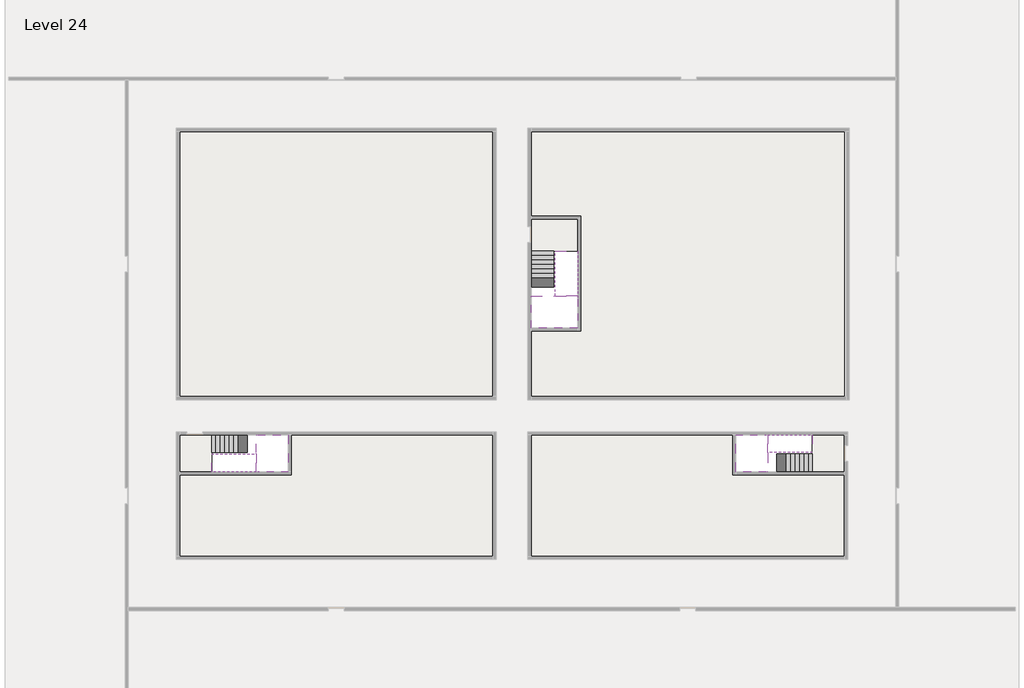
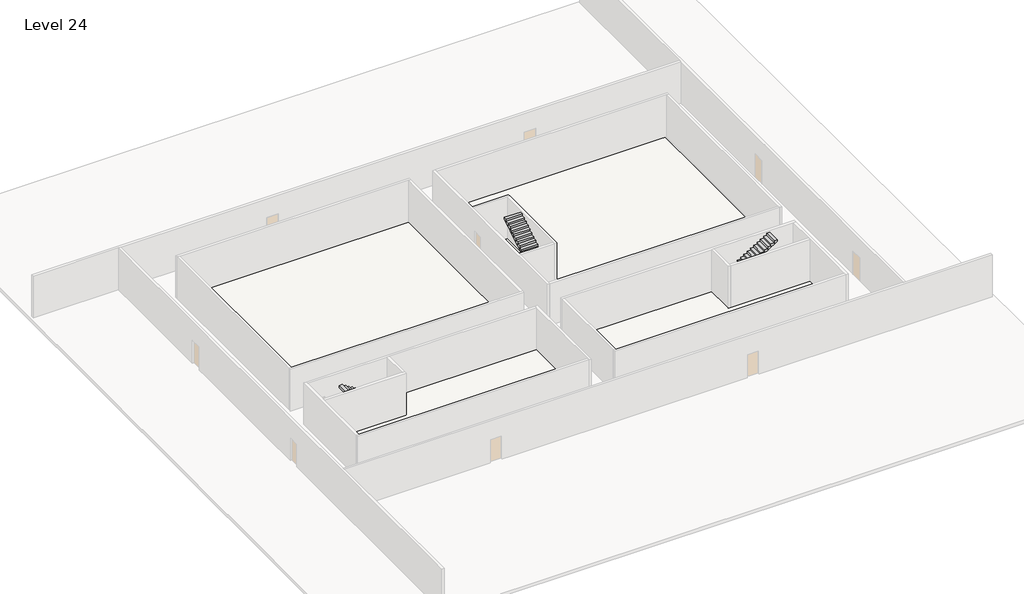
# One storey, part 2 of 2: 6 stair flights, 5 slabs.
"""IFC4 building model written with IfcOpenShell, lengths in millimetres."""

from ifc_helpers import new_model, si_unit, frame, origin, place, context, project, spatial, polyline, outline, extrude, faceted_brep, element, save

model = new_model("IFC4")

# Units and contexts
model_context = context("Model", 3, world=origin())
ifc_project = project(units=[si_unit("LENGTHUNIT", "METRE", prefix="MILLI")], contexts=[model_context])

# Site, building, storey
site = spatial("IfcSite", under=ifc_project)
building = spatial("IfcBuilding", under=site)
storey = spatial("IfcBuildingStorey", under=building, Name="Level 24", Elevation=87400.0)

# Slabs
placement = place(None, origin())
element("IfcSlab", 1, at=placement, inside=storey, context=model_context, shape_type="Brep", body=[
    faceted_brep([(8190.1058784, -42918.09644, 89300.0), (8190.1058784, -44018.09644, 89300.0), (8190.1058784, -44118.09644, 89300.0), (8190.1058784, -45218.09644, 89300.0), (8390.7194421, -45218.09644, 89300.0), (10190.1058784, -45218.09644, 89300.0), (10190.1058784, -42918.09644, 89300.0), (8269.4923146, -42918.09644, 89300.0), (8190.1058784, -42918.09644, 89127.2727273), (8190.1058784, -42918.09644, 88951.0278478), (8190.1058784, -44018.09644, 88951.0278478), (8190.1058784, -44018.09644, 89000.0), (8190.1058784, -44118.09644, 89000.0), (8190.1058784, -44118.09644, 89123.7551205), (8190.1058784, -45218.09644, 89123.7551205), (8390.7194421, -45218.09644, 89000.0), (10190.1058784, -45218.09644, 89000.0), (10190.1058784, -42918.09644, 89000.0), (8269.4923146, -42918.09644, 89000.0), (8390.7194421, -44118.09644, 89000.0), (8269.4923146, -44018.09644, 89000.0)], [[[0, 1, 2, 3, 4, 5, 6, 7]], [[1, 0, 8, 9, 10, 11]], [[2, 1, 11, 12, 13]], [[3, 2, 13, 14]], [[3, 14, 15, 16, 5, 4]], [[6, 5, 16, 17]], [[9, 8, 0, 7, 6, 17, 18]], [[19, 12, 11, 20, 18, 17, 16, 15]], [[12, 19, 13]], [[18, 20, 10, 9]], [[20, 11, 10]], [[19, 15, 14, 13]]]),
])
element("IfcSlab", 2, at=placement, inside=storey, context=model_context, shape_type="Brep", body=[
    faceted_brep([(40190.1058784, -45218.09644, 89300.0), (40190.1058784, -44118.09644, 89300.0), (40190.1058784, -44018.09644, 89300.0), (40190.1058784, -42918.09644, 89300.0), (39989.4923146, -42918.09644, 89300.0), (38190.1058784, -42918.09644, 89300.0), (38190.1058784, -45218.09644, 89300.0), (40110.7194421, -45218.09644, 89300.0), (40190.1058784, -45218.09644, 89127.2727273), (40190.1058784, -45218.09644, 88951.0278478), (40190.1058784, -44118.09644, 88951.0278478), (40190.1058784, -44118.09644, 89000.0), (40190.1058784, -44018.09644, 89000.0), (40190.1058784, -44018.09644, 89123.7551205), (40190.1058784, -42918.09644, 89123.7551205), (39989.4923146, -42918.09644, 89000.0), (38190.1058784, -42918.09644, 89000.0), (38190.1058784, -45218.09644, 89000.0), (40110.7194421, -45218.09644, 89000.0), (39989.4923146, -44018.09644, 89000.0), (40110.7194421, -44118.09644, 89000.0)], [[[0, 1, 2, 3, 4, 5, 6, 7]], [[1, 0, 8, 9, 10, 11]], [[2, 1, 11, 12, 13]], [[3, 2, 13, 14]], [[3, 14, 15, 16, 5, 4]], [[6, 5, 16, 17]], [[9, 8, 0, 7, 6, 17, 18]], [[19, 12, 11, 20, 18, 17, 16, 15]], [[12, 19, 13]], [[18, 20, 10, 9]], [[20, 11, 10]], [[19, 15, 14, 13]]]),
])
element("IfcSlab", 3, at=placement, inside=storey, context=model_context, shape_type="Brep", body=[
    faceted_brep([(26790.1058784, -34218.09644, 89300.0), (25390.1058784, -34218.09644, 89300.0), (25390.1058784, -34297.4828763, 89300.0), (25390.1058784, -36218.09644, 89300.0), (28290.1058784, -36218.09644, 89300.0), (28290.1058784, -34418.7100038, 89300.0), (28290.1058784, -34218.09644, 89300.0), (26890.1058784, -34218.09644, 89300.0), (26790.1058784, -34218.09644, 89000.0), (26790.1058784, -34218.09644, 88951.0278478), (25390.1058784, -34218.09644, 88951.0278478), (25390.1058784, -34218.09644, 89127.2727273), (25390.1058784, -34297.4828763, 89000.0), (25390.1058784, -36218.09644, 89000.0), (28290.1058784, -36218.09644, 89000.0), (28290.1058784, -34418.7100038, 89000.0), (28290.1058784, -34218.09644, 89123.7551205), (26890.1058784, -34218.09644, 89123.7551205), (26890.1058784, -34218.09644, 89000.0), (26890.1058784, -34418.7100038, 89000.0), (26790.1058784, -34297.4828763, 89000.0)], [[[0, 1, 2, 3, 4, 5, 6, 7]], [[1, 0, 8, 9, 10, 11]], [[1, 11, 10, 12, 13, 3, 2]], [[4, 3, 13, 14]], [[4, 14, 15, 16, 6, 5]], [[7, 6, 16, 17]], [[0, 7, 17, 18, 8]], [[18, 19, 15, 14, 13, 12, 20, 8]], [[19, 18, 17]], [[20, 12, 10, 9]], [[8, 20, 9]], [[15, 19, 17, 16]]]),
])
element("IfcSlab", 4, at=placement, inside=storey, context=model_context, shape_type="SweptSolid", body=[
    extrude(outline(polyline([(22990.1058784, -23918.09644), (22990.1058784, -40518.09644), (3390.1058784, -40518.09644), (3390.1058784, -23918.09644), (22990.1058784, -23918.09644)])), frame((0.0, 0.0, 87100.0), z_axis=(0.0, 0.0, 1.0), x_axis=(1.0, 0.0, 0.0)), (0.0, 0.0, 1.0), 300.0),
    extrude(outline(polyline([(44990.1058784, -23918.09644), (44990.1058784, -40518.09644), (25390.1058784, -40518.09644), (25390.1058784, -36418.09644), (28490.1058784, -36418.09644), (28490.1058784, -29218.09644), (25390.1058784, -29218.09644), (25390.1058784, -23918.09644), (44990.1058784, -23918.09644)])), frame((0.0, 0.0, 87100.0), z_axis=(0.0, 0.0, 1.0), x_axis=(1.0, 0.0, 0.0)), (0.0, 0.0, 1.0), 300.0),
    extrude(outline(polyline([(22990.1058784, -42918.09644), (22990.1058784, -50518.09644), (3390.1058784, -50518.09644), (3390.1058784, -45418.09644), (10390.1058784, -45418.09644), (10390.1058784, -42918.09644), (22990.1058784, -42918.09644)])), frame((0.0, 0.0, 87100.0), z_axis=(0.0, 0.0, 1.0), x_axis=(1.0, 0.0, 0.0)), (0.0, 0.0, 1.0), 300.0),
    extrude(outline(polyline([(37990.1058784, -42918.09644), (37990.1058784, -45418.09644), (44990.1058784, -45418.09644), (44990.1058784, -50518.09644), (25390.1058784, -50518.09644), (25390.1058784, -42918.09644), (37990.1058784, -42918.09644)])), frame((0.0, 0.0, 87100.0), z_axis=(0.0, 0.0, 1.0), x_axis=(1.0, 0.0, 0.0)), (0.0, 0.0, 1.0), 300.0),
])
element("IfcSlab", 5, at=placement, inside=storey, context=model_context, shape_type="SweptSolid", body=[
    extrude(outline(polyline([(44990.1058784, -42918.09644), (44990.1058784, -45218.09644), (42990.1058784, -45218.09644), (42990.1058784, -42918.09644), (44990.1058784, -42918.09644)])), frame((0.0, 0.0, 87100.0), z_axis=(0.0, 0.0, 1.0), x_axis=(1.0, 0.0, 0.0)), (0.0, 0.0, 1.0), 300.0),
    extrude(outline(polyline([(5390.1058784, -42918.09644), (5390.1058784, -45218.09644), (3390.1058784, -45218.09644), (3390.1058784, -42918.09644), (5390.1058784, -42918.09644)])), frame((0.0, 0.0, 87100.0), z_axis=(0.0, 0.0, 1.0), x_axis=(1.0, 0.0, 0.0)), (0.0, 0.0, 1.0), 300.0),
    extrude(outline(polyline([(28290.1058784, -29418.09644), (28290.1058784, -31418.09644), (25390.1058784, -31418.09644), (25390.1058784, -29418.09644), (28290.1058784, -29418.09644)])), frame((0.0, 0.0, 87100.0), z_axis=(0.0, 0.0, 1.0), x_axis=(1.0, 0.0, 0.0)), (0.0, 0.0, 1.0), 300.0),
])

# Stair flights
element("IfcStairFlight", 6, at=placement, inside=storey, context=model_context, shape_type="Brep", body=[
    faceted_brep([(5670.1058784, -42918.09644, 87572.7272727), (5390.1058784, -42918.09644, 87572.7272727), (5390.1058784, -44018.09644, 87572.7272727), (5670.1058784, -44018.09644, 87572.7272727), (5670.1058784, -42918.09644, 87400.0), (5390.1058784, -42918.09644, 87400.0), (5390.1058784, -44018.09644, 87400.0), (5670.1058784, -44018.09644, 87400.0), (5950.1058784, -42918.09644, 87745.4545455), (5670.1058784, -42918.09644, 87745.4545455), (5670.1058784, -44018.09644, 87745.4545455), (5950.1058784, -44018.09644, 87745.4545455), (5950.1058784, -42918.09644, 87569.209666), (5675.8081041, -42918.09644, 87400.0), (5675.8081041, -44018.09644, 87400.0), (5950.1058784, -44018.09644, 87569.209666), (6230.1058784, -42918.09644, 87918.1818182), (5950.1058784, -42918.09644, 87918.1818182), (5950.1058784, -44018.09644, 87918.1818182), (6230.1058784, -44018.09644, 87918.1818182), (6230.1058784, -42918.09644, 87741.9369387), (6230.1058784, -44018.09644, 87741.9369387), (6510.1058784, -42918.09644, 88090.9090909), (6230.1058784, -42918.09644, 88090.9090909), (6230.1058784, -44018.09644, 88090.9090909), (6510.1058784, -44018.09644, 88090.9090909), (6510.1058784, -42918.09644, 87914.6642114), (6510.1058784, -44018.09644, 87914.6642114), (6790.1058784, -42918.09644, 88263.6363636), (6510.1058784, -42918.09644, 88263.6363636), (6510.1058784, -44018.09644, 88263.6363636), (6790.1058784, -44018.09644, 88263.6363636), (6790.1058784, -42918.09644, 88087.3914841), (6790.1058784, -44018.09644, 88087.3914841), (7070.1058784, -42918.09644, 88436.3636364), (6790.1058784, -42918.09644, 88436.3636364), (6790.1058784, -44018.09644, 88436.3636364), (7070.1058784, -44018.09644, 88436.3636364), (7070.1058784, -42918.09644, 88260.1187569), (7070.1058784, -44018.09644, 88260.1187569), (7350.1058784, -42918.09644, 88609.0909091), (7070.1058784, -42918.09644, 88609.0909091), (7070.1058784, -44018.09644, 88609.0909091), (7350.1058784, -44018.09644, 88609.0909091), (7350.1058784, -42918.09644, 88432.8460296), (7350.1058784, -44018.09644, 88432.8460296), (7630.1058784, -42918.09644, 88781.8181818), (7350.1058784, -42918.09644, 88781.8181818), (7350.1058784, -44018.09644, 88781.8181818), (7630.1058784, -44018.09644, 88781.8181818), (7630.1058784, -42918.09644, 88605.5733023), (7630.1058784, -44018.09644, 88605.5733023), (7910.1058784, -42918.09644, 88954.5454545), (7630.1058784, -42918.09644, 88954.5454545), (7630.1058784, -44018.09644, 88954.5454545), (7910.1058784, -44018.09644, 88954.5454545), (7910.1058784, -42918.09644, 88778.3005751), (7910.1058784, -44018.09644, 88778.3005751), (8190.1058784, -42918.09644, 89127.2727273), (7910.1058784, -42918.09644, 89127.2727273), (7910.1058784, -44018.09644, 89127.2727273), (8190.1058784, -44018.09644, 89127.2727273), (8190.1058784, -42918.09644, 88951.0278478), (8190.1058784, -44018.09644, 88951.0278478), (8190.1058784, -44018.09644, 89000.0)], [[[0, 1, 2, 3]], [[1, 0, 4, 5]], [[2, 1, 5, 6]], [[3, 2, 6, 7]], [[8, 9, 10, 11]], [[4, 0, 9, 8, 12, 13]], [[0, 3, 10, 9]], [[3, 7, 14, 15, 11, 10]], [[16, 17, 18, 19]], [[17, 16, 20, 12, 8]], [[8, 11, 18, 17]], [[19, 18, 11, 15, 21]], [[22, 23, 24, 25]], [[23, 22, 26, 20, 16]], [[16, 19, 24, 23]], [[25, 24, 19, 21, 27]], [[28, 29, 30, 31]], [[29, 28, 32, 26, 22]], [[22, 25, 30, 29]], [[31, 30, 25, 27, 33]], [[34, 35, 36, 37]], [[35, 34, 38, 32, 28]], [[28, 31, 36, 35]], [[37, 36, 31, 33, 39]], [[40, 41, 42, 43]], [[41, 40, 44, 38, 34]], [[34, 37, 42, 41]], [[43, 42, 37, 39, 45]], [[46, 47, 48, 49]], [[47, 46, 50, 44, 40]], [[40, 43, 48, 47]], [[49, 48, 43, 45, 51]], [[52, 53, 54, 55]], [[53, 52, 56, 50, 46]], [[46, 49, 54, 53]], [[55, 54, 49, 51, 57]], [[58, 59, 60, 61]], [[59, 58, 62, 56, 52]], [[52, 55, 60, 59]], [[61, 60, 55, 57, 63, 64]], [[58, 61, 64, 63, 62]], [[5, 4, 13, 14, 7, 6]], [[14, 13, 12, 20, 26, 32, 38, 44, 50, 56, 62, 63, 57, 51, 45, 39, 33, 27, 21, 15]]]),
])
element("IfcStairFlight", 7, at=placement, inside=storey, context=model_context, shape_type="Brep", body=[
    faceted_brep([(7910.1058784, -45218.09644, 89472.7272727), (8190.1058784, -45218.09644, 89472.7272727), (8190.1058784, -44118.09644, 89472.7272727), (7910.1058784, -44118.09644, 89472.7272727), (7910.1058784, -45218.09644, 89296.4823932), (8190.1058784, -45218.09644, 89123.7551205), (8190.1058784, -45218.09644, 89300.0), (8190.1058784, -44118.09644, 89123.7551205), (7910.1058784, -44118.09644, 89296.4823932), (7630.1058784, -45218.09644, 89645.4545455), (7910.1058784, -45218.09644, 89645.4545455), (7910.1058784, -44118.09644, 89645.4545455), (7630.1058784, -44118.09644, 89645.4545455), (7630.1058784, -45218.09644, 89469.209666), (7630.1058784, -44118.09644, 89469.209666), (7350.1058784, -45218.09644, 89818.1818182), (7630.1058784, -45218.09644, 89818.1818182), (7630.1058784, -44118.09644, 89818.1818182), (7350.1058784, -44118.09644, 89818.1818182), (7350.1058784, -45218.09644, 89641.9369387), (7350.1058784, -44118.09644, 89641.9369387), (7070.1058784, -45218.09644, 89990.9090909), (7350.1058784, -45218.09644, 89990.9090909), (7350.1058784, -44118.09644, 89990.9090909), (7070.1058784, -44118.09644, 89990.9090909), (7070.1058784, -45218.09644, 89814.6642114), (7070.1058784, -44118.09644, 89814.6642114), (6790.1058784, -45218.09644, 90163.6363636), (7070.1058784, -45218.09644, 90163.6363636), (7070.1058784, -44118.09644, 90163.6363636), (6790.1058784, -44118.09644, 90163.6363636), (6790.1058784, -45218.09644, 89987.3914841), (6790.1058784, -44118.09644, 89987.3914841), (6510.1058784, -45218.09644, 90336.3636364), (6790.1058784, -45218.09644, 90336.3636364), (6790.1058784, -44118.09644, 90336.3636364), (6510.1058784, -44118.09644, 90336.3636364), (6510.1058784, -45218.09644, 90160.1187569), (6510.1058784, -44118.09644, 90160.1187569), (6230.1058784, -45218.09644, 90509.0909091), (6510.1058784, -45218.09644, 90509.0909091), (6510.1058784, -44118.09644, 90509.0909091), (6230.1058784, -44118.09644, 90509.0909091), (6230.1058784, -45218.09644, 90332.8460296), (6230.1058784, -44118.09644, 90332.8460296), (5950.1058784, -45218.09644, 90681.8181818), (6230.1058784, -45218.09644, 90681.8181818), (6230.1058784, -44118.09644, 90681.8181818), (5950.1058784, -44118.09644, 90681.8181818), (5950.1058784, -45218.09644, 90505.5733023), (5950.1058784, -44118.09644, 90505.5733023), (5670.1058784, -45218.09644, 90854.5454545), (5950.1058784, -45218.09644, 90854.5454545), (5950.1058784, -44118.09644, 90854.5454545), (5670.1058784, -44118.09644, 90854.5454545), (5670.1058784, -45218.09644, 90678.3005751), (5670.1058784, -44118.09644, 90678.3005751), (5390.1058784, -45218.09644, 91027.2727273), (5670.1058784, -45218.09644, 91027.2727273), (5670.1058784, -44118.09644, 91027.2727273), (5390.1058784, -44118.09644, 91027.2727273), (5390.1058784, -45218.09644, 90851.0278478), (5390.1058784, -44118.09644, 90851.0278478)], [[[0, 1, 2, 3]], [[1, 0, 4, 5, 6]], [[2, 1, 6, 5, 7]], [[3, 2, 7, 8]], [[9, 10, 11, 12]], [[10, 9, 13, 4, 0]], [[11, 10, 0, 3]], [[12, 11, 3, 8, 14]], [[15, 16, 17, 18]], [[16, 15, 19, 13, 9]], [[17, 16, 9, 12]], [[18, 17, 12, 14, 20]], [[21, 22, 23, 24]], [[22, 21, 25, 19, 15]], [[23, 22, 15, 18]], [[24, 23, 18, 20, 26]], [[27, 28, 29, 30]], [[28, 27, 31, 25, 21]], [[29, 28, 21, 24]], [[30, 29, 24, 26, 32]], [[33, 34, 35, 36]], [[34, 33, 37, 31, 27]], [[35, 34, 27, 30]], [[36, 35, 30, 32, 38]], [[39, 40, 41, 42]], [[40, 39, 43, 37, 33]], [[41, 40, 33, 36]], [[42, 41, 36, 38, 44]], [[45, 46, 47, 48]], [[46, 45, 49, 43, 39]], [[47, 46, 39, 42]], [[48, 47, 42, 44, 50]], [[51, 52, 53, 54]], [[52, 51, 55, 49, 45]], [[53, 52, 45, 48]], [[54, 53, 48, 50, 56]], [[57, 58, 59, 60]], [[58, 57, 61, 55, 51]], [[59, 58, 51, 54]], [[60, 59, 54, 56, 62]], [[57, 60, 62, 61]], [[5, 4, 13, 19, 25, 31, 37, 43, 49, 55, 61, 62, 56, 50, 44, 38, 32, 26, 20, 14, 8, 7]]]),
])
element("IfcStairFlight", 8, at=placement, inside=storey, context=model_context, shape_type="Brep", body=[
    faceted_brep([(42710.1058784, -45218.09644, 87572.7272727), (42990.1058784, -45218.09644, 87572.7272727), (42990.1058784, -44118.09644, 87572.7272727), (42710.1058784, -44118.09644, 87572.7272727), (42710.1058784, -45218.09644, 87400.0), (42990.1058784, -45218.09644, 87400.0), (42990.1058784, -44118.09644, 87400.0), (42710.1058784, -44118.09644, 87400.0), (42430.1058784, -45218.09644, 87745.4545455), (42710.1058784, -45218.09644, 87745.4545455), (42710.1058784, -44118.09644, 87745.4545455), (42430.1058784, -44118.09644, 87745.4545455), (42430.1058784, -45218.09644, 87569.209666), (42704.4036527, -45218.09644, 87400.0), (42704.4036527, -44118.09644, 87400.0), (42430.1058784, -44118.09644, 87569.209666), (42150.1058784, -45218.09644, 87918.1818182), (42430.1058784, -45218.09644, 87918.1818182), (42430.1058784, -44118.09644, 87918.1818182), (42150.1058784, -44118.09644, 87918.1818182), (42150.1058784, -45218.09644, 87741.9369387), (42150.1058784, -44118.09644, 87741.9369387), (41870.1058784, -45218.09644, 88090.9090909), (42150.1058784, -45218.09644, 88090.9090909), (42150.1058784, -44118.09644, 88090.9090909), (41870.1058784, -44118.09644, 88090.9090909), (41870.1058784, -45218.09644, 87914.6642114), (41870.1058784, -44118.09644, 87914.6642114), (41590.1058784, -45218.09644, 88263.6363636), (41870.1058784, -45218.09644, 88263.6363636), (41870.1058784, -44118.09644, 88263.6363636), (41590.1058784, -44118.09644, 88263.6363636), (41590.1058784, -45218.09644, 88087.3914841), (41590.1058784, -44118.09644, 88087.3914841), (41310.1058784, -45218.09644, 88436.3636364), (41590.1058784, -45218.09644, 88436.3636364), (41590.1058784, -44118.09644, 88436.3636364), (41310.1058784, -44118.09644, 88436.3636364), (41310.1058784, -45218.09644, 88260.1187569), (41310.1058784, -44118.09644, 88260.1187569), (41030.1058784, -45218.09644, 88609.0909091), (41310.1058784, -45218.09644, 88609.0909091), (41310.1058784, -44118.09644, 88609.0909091), (41030.1058784, -44118.09644, 88609.0909091), (41030.1058784, -45218.09644, 88432.8460296), (41030.1058784, -44118.09644, 88432.8460296), (40750.1058784, -45218.09644, 88781.8181818), (41030.1058784, -45218.09644, 88781.8181818), (41030.1058784, -44118.09644, 88781.8181818), (40750.1058784, -44118.09644, 88781.8181818), (40750.1058784, -45218.09644, 88605.5733023), (40750.1058784, -44118.09644, 88605.5733023), (40470.1058784, -45218.09644, 88954.5454545), (40750.1058784, -45218.09644, 88954.5454545), (40750.1058784, -44118.09644, 88954.5454545), (40470.1058784, -44118.09644, 88954.5454545), (40470.1058784, -45218.09644, 88778.3005751), (40470.1058784, -44118.09644, 88778.3005751), (40190.1058784, -45218.09644, 89127.2727273), (40470.1058784, -45218.09644, 89127.2727273), (40470.1058784, -44118.09644, 89127.2727273), (40190.1058784, -44118.09644, 89127.2727273), (40190.1058784, -45218.09644, 88951.0278478), (40190.1058784, -44118.09644, 88951.0278478), (40190.1058784, -44118.09644, 89000.0)], [[[0, 1, 2, 3]], [[1, 0, 4, 5]], [[2, 1, 5, 6]], [[3, 2, 6, 7]], [[8, 9, 10, 11]], [[4, 0, 9, 8, 12, 13]], [[0, 3, 10, 9]], [[3, 7, 14, 15, 11, 10]], [[16, 17, 18, 19]], [[17, 16, 20, 12, 8]], [[8, 11, 18, 17]], [[19, 18, 11, 15, 21]], [[22, 23, 24, 25]], [[23, 22, 26, 20, 16]], [[16, 19, 24, 23]], [[25, 24, 19, 21, 27]], [[28, 29, 30, 31]], [[29, 28, 32, 26, 22]], [[22, 25, 30, 29]], [[31, 30, 25, 27, 33]], [[34, 35, 36, 37]], [[35, 34, 38, 32, 28]], [[28, 31, 36, 35]], [[37, 36, 31, 33, 39]], [[40, 41, 42, 43]], [[41, 40, 44, 38, 34]], [[34, 37, 42, 41]], [[43, 42, 37, 39, 45]], [[46, 47, 48, 49]], [[47, 46, 50, 44, 40]], [[40, 43, 48, 47]], [[49, 48, 43, 45, 51]], [[52, 53, 54, 55]], [[53, 52, 56, 50, 46]], [[46, 49, 54, 53]], [[55, 54, 49, 51, 57]], [[58, 59, 60, 61]], [[59, 58, 62, 56, 52]], [[52, 55, 60, 59]], [[61, 60, 55, 57, 63, 64]], [[58, 61, 64, 63, 62]], [[5, 4, 13, 14, 7, 6]], [[14, 13, 12, 20, 26, 32, 38, 44, 50, 56, 62, 63, 57, 51, 45, 39, 33, 27, 21, 15]]]),
])
element("IfcStairFlight", 9, at=placement, inside=storey, context=model_context, shape_type="Brep", body=[
    faceted_brep([(40470.1058784, -42918.09644, 89472.7272727), (40190.1058784, -42918.09644, 89472.7272727), (40190.1058784, -44018.09644, 89472.7272727), (40470.1058784, -44018.09644, 89472.7272727), (40470.1058784, -42918.09644, 89296.4823932), (40190.1058784, -42918.09644, 89123.7551205), (40190.1058784, -42918.09644, 89300.0), (40190.1058784, -44018.09644, 89123.7551205), (40470.1058784, -44018.09644, 89296.4823932), (40750.1058784, -42918.09644, 89645.4545455), (40470.1058784, -42918.09644, 89645.4545455), (40470.1058784, -44018.09644, 89645.4545455), (40750.1058784, -44018.09644, 89645.4545455), (40750.1058784, -42918.09644, 89469.209666), (40750.1058784, -44018.09644, 89469.209666), (41030.1058784, -42918.09644, 89818.1818182), (40750.1058784, -42918.09644, 89818.1818182), (40750.1058784, -44018.09644, 89818.1818182), (41030.1058784, -44018.09644, 89818.1818182), (41030.1058784, -42918.09644, 89641.9369387), (41030.1058784, -44018.09644, 89641.9369387), (41310.1058784, -42918.09644, 89990.9090909), (41030.1058784, -42918.09644, 89990.9090909), (41030.1058784, -44018.09644, 89990.9090909), (41310.1058784, -44018.09644, 89990.9090909), (41310.1058784, -42918.09644, 89814.6642114), (41310.1058784, -44018.09644, 89814.6642114), (41590.1058784, -42918.09644, 90163.6363636), (41310.1058784, -42918.09644, 90163.6363636), (41310.1058784, -44018.09644, 90163.6363636), (41590.1058784, -44018.09644, 90163.6363636), (41590.1058784, -42918.09644, 89987.3914841), (41590.1058784, -44018.09644, 89987.3914841), (41870.1058784, -42918.09644, 90336.3636364), (41590.1058784, -42918.09644, 90336.3636364), (41590.1058784, -44018.09644, 90336.3636364), (41870.1058784, -44018.09644, 90336.3636364), (41870.1058784, -42918.09644, 90160.1187569), (41870.1058784, -44018.09644, 90160.1187569), (42150.1058784, -42918.09644, 90509.0909091), (41870.1058784, -42918.09644, 90509.0909091), (41870.1058784, -44018.09644, 90509.0909091), (42150.1058784, -44018.09644, 90509.0909091), (42150.1058784, -42918.09644, 90332.8460296), (42150.1058784, -44018.09644, 90332.8460296), (42430.1058784, -42918.09644, 90681.8181818), (42150.1058784, -42918.09644, 90681.8181818), (42150.1058784, -44018.09644, 90681.8181818), (42430.1058784, -44018.09644, 90681.8181818), (42430.1058784, -42918.09644, 90505.5733023), (42430.1058784, -44018.09644, 90505.5733023), (42710.1058784, -42918.09644, 90854.5454545), (42430.1058784, -42918.09644, 90854.5454545), (42430.1058784, -44018.09644, 90854.5454545), (42710.1058784, -44018.09644, 90854.5454545), (42710.1058784, -42918.09644, 90678.3005751), (42710.1058784, -44018.09644, 90678.3005751), (42990.1058784, -42918.09644, 91027.2727273), (42710.1058784, -42918.09644, 91027.2727273), (42710.1058784, -44018.09644, 91027.2727273), (42990.1058784, -44018.09644, 91027.2727273), (42990.1058784, -42918.09644, 90851.0278478), (42990.1058784, -44018.09644, 90851.0278478)], [[[0, 1, 2, 3]], [[1, 0, 4, 5, 6]], [[2, 1, 6, 5, 7]], [[3, 2, 7, 8]], [[9, 10, 11, 12]], [[10, 9, 13, 4, 0]], [[11, 10, 0, 3]], [[12, 11, 3, 8, 14]], [[15, 16, 17, 18]], [[16, 15, 19, 13, 9]], [[17, 16, 9, 12]], [[18, 17, 12, 14, 20]], [[21, 22, 23, 24]], [[22, 21, 25, 19, 15]], [[23, 22, 15, 18]], [[24, 23, 18, 20, 26]], [[27, 28, 29, 30]], [[28, 27, 31, 25, 21]], [[29, 28, 21, 24]], [[30, 29, 24, 26, 32]], [[33, 34, 35, 36]], [[34, 33, 37, 31, 27]], [[35, 34, 27, 30]], [[36, 35, 30, 32, 38]], [[39, 40, 41, 42]], [[40, 39, 43, 37, 33]], [[41, 40, 33, 36]], [[42, 41, 36, 38, 44]], [[45, 46, 47, 48]], [[46, 45, 49, 43, 39]], [[47, 46, 39, 42]], [[48, 47, 42, 44, 50]], [[51, 52, 53, 54]], [[52, 51, 55, 49, 45]], [[53, 52, 45, 48]], [[54, 53, 48, 50, 56]], [[57, 58, 59, 60]], [[58, 57, 61, 55, 51]], [[59, 58, 51, 54]], [[60, 59, 54, 56, 62]], [[57, 60, 62, 61]], [[5, 4, 13, 19, 25, 31, 37, 43, 49, 55, 61, 62, 56, 50, 44, 38, 32, 26, 20, 14, 8, 7]]]),
])
element("IfcStairFlight", 10, at=placement, inside=storey, context=model_context, shape_type="Brep", body=[
    faceted_brep([(26790.1058784, -31698.09644, 87572.7272727), (26790.1058784, -31418.09644, 87572.7272727), (25390.1058784, -31418.09644, 87572.7272727), (25390.1058784, -31698.09644, 87572.7272727), (26790.1058784, -31698.09644, 87400.0), (26790.1058784, -31418.09644, 87400.0), (25390.1058784, -31418.09644, 87400.0), (25390.1058784, -31698.09644, 87400.0), (26790.1058784, -31978.09644, 87745.4545455), (26790.1058784, -31698.09644, 87745.4545455), (25390.1058784, -31698.09644, 87745.4545455), (25390.1058784, -31978.09644, 87745.4545455), (26790.1058784, -31978.09644, 87569.209666), (26790.1058784, -31703.7986657, 87400.0), (25390.1058784, -31703.7986657, 87400.0), (25390.1058784, -31978.09644, 87569.209666), (26790.1058784, -32258.09644, 87918.1818182), (26790.1058784, -31978.09644, 87918.1818182), (25390.1058784, -31978.09644, 87918.1818182), (25390.1058784, -32258.09644, 87918.1818182), (26790.1058784, -32258.09644, 87741.9369387), (25390.1058784, -32258.09644, 87741.9369387), (26790.1058784, -32538.09644, 88090.9090909), (26790.1058784, -32258.09644, 88090.9090909), (25390.1058784, -32258.09644, 88090.9090909), (25390.1058784, -32538.09644, 88090.9090909), (26790.1058784, -32538.09644, 87914.6642114), (25390.1058784, -32538.09644, 87914.6642114), (26790.1058784, -32818.09644, 88263.6363636), (26790.1058784, -32538.09644, 88263.6363636), (25390.1058784, -32538.09644, 88263.6363636), (25390.1058784, -32818.09644, 88263.6363636), (26790.1058784, -32818.09644, 88087.3914841), (25390.1058784, -32818.09644, 88087.3914841), (26790.1058784, -33098.09644, 88436.3636364), (26790.1058784, -32818.09644, 88436.3636364), (25390.1058784, -32818.09644, 88436.3636364), (25390.1058784, -33098.09644, 88436.3636364), (26790.1058784, -33098.09644, 88260.1187569), (25390.1058784, -33098.09644, 88260.1187569), (26790.1058784, -33378.09644, 88609.0909091), (26790.1058784, -33098.09644, 88609.0909091), (25390.1058784, -33098.09644, 88609.0909091), (25390.1058784, -33378.09644, 88609.0909091), (26790.1058784, -33378.09644, 88432.8460296), (25390.1058784, -33378.09644, 88432.8460296), (26790.1058784, -33658.09644, 88781.8181818), (26790.1058784, -33378.09644, 88781.8181818), (25390.1058784, -33378.09644, 88781.8181818), (25390.1058784, -33658.09644, 88781.8181818), (26790.1058784, -33658.09644, 88605.5733023), (25390.1058784, -33658.09644, 88605.5733023), (26790.1058784, -33938.09644, 88954.5454545), (26790.1058784, -33658.09644, 88954.5454545), (25390.1058784, -33658.09644, 88954.5454545), (25390.1058784, -33938.09644, 88954.5454545), (26790.1058784, -33938.09644, 88778.3005751), (25390.1058784, -33938.09644, 88778.3005751), (26790.1058784, -34218.09644, 89127.2727273), (26790.1058784, -33938.09644, 89127.2727273), (25390.1058784, -33938.09644, 89127.2727273), (25390.1058784, -34218.09644, 89127.2727273), (26790.1058784, -34218.09644, 89000.0), (26790.1058784, -34218.09644, 88951.0278478), (25390.1058784, -34218.09644, 88951.0278478)], [[[0, 1, 2, 3]], [[1, 0, 4, 5]], [[2, 1, 5, 6]], [[3, 2, 6, 7]], [[8, 9, 10, 11]], [[4, 0, 9, 8, 12, 13]], [[0, 3, 10, 9]], [[3, 7, 14, 15, 11, 10]], [[16, 17, 18, 19]], [[17, 16, 20, 12, 8]], [[8, 11, 18, 17]], [[19, 18, 11, 15, 21]], [[22, 23, 24, 25]], [[23, 22, 26, 20, 16]], [[16, 19, 24, 23]], [[25, 24, 19, 21, 27]], [[28, 29, 30, 31]], [[29, 28, 32, 26, 22]], [[22, 25, 30, 29]], [[31, 30, 25, 27, 33]], [[34, 35, 36, 37]], [[35, 34, 38, 32, 28]], [[28, 31, 36, 35]], [[37, 36, 31, 33, 39]], [[40, 41, 42, 43]], [[41, 40, 44, 38, 34]], [[34, 37, 42, 41]], [[43, 42, 37, 39, 45]], [[46, 47, 48, 49]], [[47, 46, 50, 44, 40]], [[40, 43, 48, 47]], [[49, 48, 43, 45, 51]], [[52, 53, 54, 55]], [[53, 52, 56, 50, 46]], [[46, 49, 54, 53]], [[55, 54, 49, 51, 57]], [[58, 59, 60, 61]], [[59, 58, 62, 63, 56, 52]], [[52, 55, 60, 59]], [[61, 60, 55, 57, 64]], [[58, 61, 64, 63, 62]], [[5, 4, 13, 14, 7, 6]], [[14, 13, 12, 20, 26, 32, 38, 44, 50, 56, 63, 64, 57, 51, 45, 39, 33, 27, 21, 15]]]),
])
element("IfcStairFlight", 11, at=placement, inside=storey, context=model_context, shape_type="Brep", body=[
    faceted_brep([(26890.1058784, -33938.09644, 89472.7272727), (26890.1058784, -34218.09644, 89472.7272727), (28290.1058784, -34218.09644, 89472.7272727), (28290.1058784, -33938.09644, 89472.7272727), (26890.1058784, -33938.09644, 89296.4823932), (26890.1058784, -34218.09644, 89123.7551205), (28290.1058784, -34218.09644, 89123.7551205), (28290.1058784, -34218.09644, 89300.0), (28290.1058784, -33938.09644, 89296.4823932), (26890.1058784, -33658.09644, 89645.4545455), (26890.1058784, -33938.09644, 89645.4545455), (28290.1058784, -33938.09644, 89645.4545455), (28290.1058784, -33658.09644, 89645.4545455), (26890.1058784, -33658.09644, 89469.209666), (28290.1058784, -33658.09644, 89469.209666), (26890.1058784, -33378.09644, 89818.1818182), (26890.1058784, -33658.09644, 89818.1818182), (28290.1058784, -33658.09644, 89818.1818182), (28290.1058784, -33378.09644, 89818.1818182), (26890.1058784, -33378.09644, 89641.9369387), (28290.1058784, -33378.09644, 89641.9369387), (26890.1058784, -33098.09644, 89990.9090909), (26890.1058784, -33378.09644, 89990.9090909), (28290.1058784, -33378.09644, 89990.9090909), (28290.1058784, -33098.09644, 89990.9090909), (26890.1058784, -33098.09644, 89814.6642114), (28290.1058784, -33098.09644, 89814.6642114), (26890.1058784, -32818.09644, 90163.6363636), (26890.1058784, -33098.09644, 90163.6363636), (28290.1058784, -33098.09644, 90163.6363636), (28290.1058784, -32818.09644, 90163.6363636), (26890.1058784, -32818.09644, 89987.3914841), (28290.1058784, -32818.09644, 89987.3914841), (26890.1058784, -32538.09644, 90336.3636364), (26890.1058784, -32818.09644, 90336.3636364), (28290.1058784, -32818.09644, 90336.3636364), (28290.1058784, -32538.09644, 90336.3636364), (26890.1058784, -32538.09644, 90160.1187569), (28290.1058784, -32538.09644, 90160.1187569), (26890.1058784, -32258.09644, 90509.0909091), (26890.1058784, -32538.09644, 90509.0909091), (28290.1058784, -32538.09644, 90509.0909091), (28290.1058784, -32258.09644, 90509.0909091), (26890.1058784, -32258.09644, 90332.8460296), (28290.1058784, -32258.09644, 90332.8460296), (26890.1058784, -31978.09644, 90681.8181818), (26890.1058784, -32258.09644, 90681.8181818), (28290.1058784, -32258.09644, 90681.8181818), (28290.1058784, -31978.09644, 90681.8181818), (26890.1058784, -31978.09644, 90505.5733023), (28290.1058784, -31978.09644, 90505.5733023), (26890.1058784, -31698.09644, 90854.5454545), (26890.1058784, -31978.09644, 90854.5454545), (28290.1058784, -31978.09644, 90854.5454545), (28290.1058784, -31698.09644, 90854.5454545), (26890.1058784, -31698.09644, 90678.3005751), (28290.1058784, -31698.09644, 90678.3005751), (26890.1058784, -31418.09644, 91027.2727273), (26890.1058784, -31698.09644, 91027.2727273), (28290.1058784, -31698.09644, 91027.2727273), (28290.1058784, -31418.09644, 91027.2727273), (26890.1058784, -31418.09644, 90851.0278478), (28290.1058784, -31418.09644, 90851.0278478)], [[[0, 1, 2, 3]], [[1, 0, 4, 5]], [[2, 1, 5, 6, 7]], [[3, 2, 7, 6, 8]], [[9, 10, 11, 12]], [[10, 9, 13, 4, 0]], [[11, 10, 0, 3]], [[12, 11, 3, 8, 14]], [[15, 16, 17, 18]], [[16, 15, 19, 13, 9]], [[17, 16, 9, 12]], [[18, 17, 12, 14, 20]], [[21, 22, 23, 24]], [[22, 21, 25, 19, 15]], [[23, 22, 15, 18]], [[24, 23, 18, 20, 26]], [[27, 28, 29, 30]], [[28, 27, 31, 25, 21]], [[29, 28, 21, 24]], [[30, 29, 24, 26, 32]], [[33, 34, 35, 36]], [[34, 33, 37, 31, 27]], [[35, 34, 27, 30]], [[36, 35, 30, 32, 38]], [[39, 40, 41, 42]], [[40, 39, 43, 37, 33]], [[41, 40, 33, 36]], [[42, 41, 36, 38, 44]], [[45, 46, 47, 48]], [[46, 45, 49, 43, 39]], [[47, 46, 39, 42]], [[48, 47, 42, 44, 50]], [[51, 52, 53, 54]], [[52, 51, 55, 49, 45]], [[53, 52, 45, 48]], [[54, 53, 48, 50, 56]], [[57, 58, 59, 60]], [[58, 57, 61, 55, 51]], [[59, 58, 51, 54]], [[60, 59, 54, 56, 62]], [[57, 60, 62, 61]], [[5, 4, 13, 19, 25, 31, 37, 43, 49, 55, 61, 62, 56, 50, 44, 38, 32, 26, 20, 14, 8, 6]]]),
])

save(model, "model.ifc")
